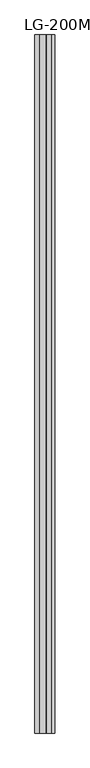
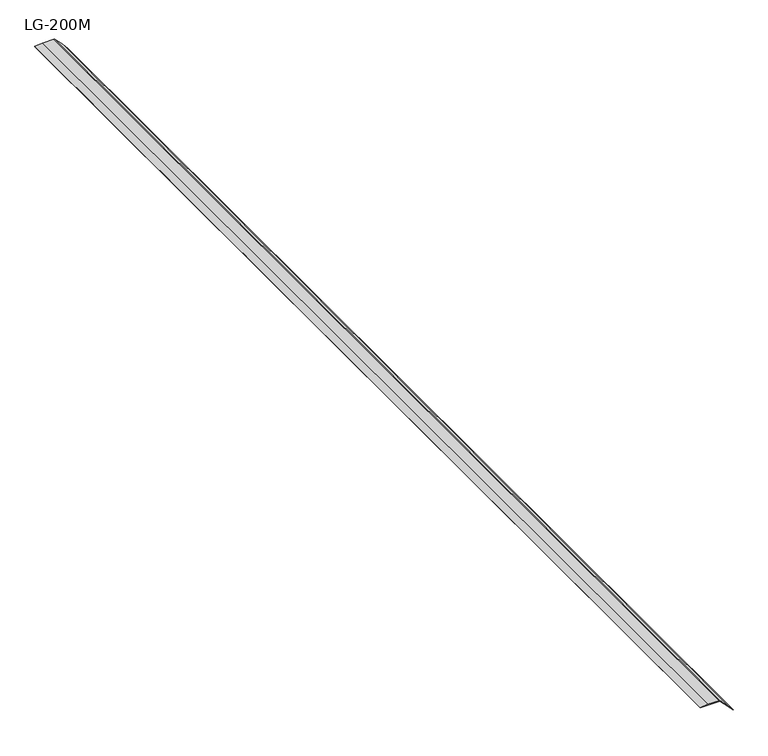
"""IFC4 building model written with IfcOpenShell, lengths in millimetres: proxy geometry, LG-200M."""

from ifc_helpers import new_model, si_unit, point, frame, frame_2d, origin, place, context, project, spatial, polyline, circle_curve, trimmed, segment, composite_curve, outline, extrude, source, transform, mapped, element, save


def lg_200m_0b64f1b7(model_context):
    return source(origin(), model_context, "Body", "SweptSolid", [
        extrude(outline(composite_curve([segment(polyline([(2.9107776, -29.9740791), (0.9702592, -49.4485675), (0.0, -49.4485675), (0.9702592, -29.9740791), (1.3449552, 0.8275485), (-20.6180082, 22.1773533), (-35.1896066, 35.1896066), (-34.409934, 35.9692792), (-19.2665614, 23.5634236), (2.0564975, 2.4622705)]), True, "CONTINUOUS"), segment(trimmed(circle_curve(frame_2d((-1.0648332, 0.0)), 3.9756108), [point((2.0564975, 2.4622705))], [point((2.9107776, 0.0))], False, "CARTESIAN"), True, "CONTINUOUS"), segment(polyline([(2.9107776, 0.0), (2.9107776, -29.9740791)]), True, "CONTINUOUS")], self_intersect=False)), frame((0.0, -1141.4125, 0.0), z_axis=(0.0, 1.0, 0.0), x_axis=(0.0, 0.0, 1.0)), (0.0, 0.0, 1.0), 3021.0125),
    ])


if __name__ == "__main__":
    model = new_model("IFC4")
    model_context = context("Model", 3, world=origin())
    ifc_project = project(units=[si_unit("LENGTHUNIT", "METRE", prefix="MILLI")], contexts=[model_context])
    site = spatial("IfcSite", under=ifc_project)
    building = spatial("IfcBuilding", under=site)
    placement = place(None, origin())
    lg_200m_shape = lg_200m_0b64f1b7(model_context)
    element("IfcBuildingElementProxy", 1, Name="LG-200M", ObjectType="LG-200M", at=placement, inside=building, context=model_context, shape_type="MappedRepresentation", body=[
        mapped(lg_200m_shape, transform((0.0, 0.0, 0.0), x_axis=(1.0, 0.0, 0.0), y_axis=(0.0, 1.0, 0.0), z_axis=(0.0, 0.0, 1.0))),
    ])
    save(model, "model.ifc")
